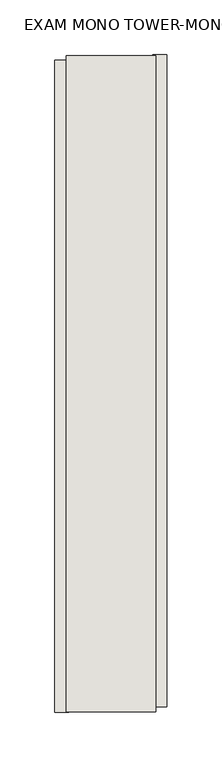
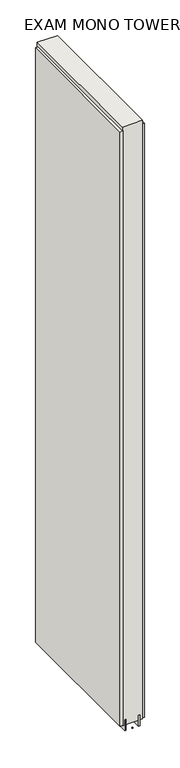
"""IFC4 building model written with IfcOpenShell, lengths in millimetres: wall geometry, EXAM MONO TOWER-MONO ACCENT MEDIA 478796 : EXAM MONO TOWER-MONO ACCENT MEDIA 478796."""

from ifc_helpers import new_model, si_unit, frame, origin, place, context, project, spatial, polyline, outline, extrude, source, transform, mapped, element, save


def exam_mono_tower_mono_accent_media_478796_exam_mono_tower_507d4382(model_context):
    return source(origin(), model_context, "Body", "SweptSolid", [
        extrude(outline(polyline([(57408.482211, -50509.2406882), (57408.482211, -50511.7806882), (57405.942211, -50511.7806882), (57405.942211, -50509.2406882), (57408.482211, -50509.2406882)])), frame((0.0, 0.0, 4419.6), z_axis=(0.0, 0.0, 1.0), x_axis=(1.0, 0.0, 0.0)), (0.0, 0.0, 1.0), 2.54),
        extrude(outline(polyline([(57356.412211, -50512.243781), (57356.412211, -49919.3438238), (57369.112211, -49919.3438238), (57369.112211, -50512.243781), (57356.412211, -50512.243781)])), frame((0.0, 0.0, 4445.0), z_axis=(0.0, 0.0, 1.0), x_axis=(1.0, 0.0, 0.0)), (0.0, 0.0, 1.0), 2545.0498756),
        extrude(outline(polyline([(57458.012211, -49914.413887), (57458.012211, -50507.3138442), (57445.312211, -50507.3138442), (57445.312211, -49914.413887), (57458.012211, -49914.413887)])), frame((0.0, 0.0, 4445.0), z_axis=(0.0, 0.0, 1.0), x_axis=(1.0, 0.0, 0.0)), (0.0, 0.0, 1.0), 2545.0498756),
        extrude(outline(polyline([(57382.1284664, -49914.8850316), (57382.1284664, -50511.7850316), (57377.049711, -50511.7850316), (57377.049711, -49914.8850316), (57382.1284664, -49914.8850316)])), frame((0.0, 0.0, 4418.6602), z_axis=(0.0, 0.0, 1.0), x_axis=(1.0, 0.0, 0.0)), (0.0, 0.0, 1.0), 47.625),
        extrude(outline(polyline([(57382.1284664, -49914.8850316), (57382.1284664, -50511.7850316), (57377.049711, -50511.7850316), (57377.049711, -49914.8850316), (57382.1284664, -49914.8850316)])), frame((0.0, 0.0, 4418.6602), z_axis=(0.0, 0.0, 1.0), x_axis=(1.0, 0.0, 0.0)), (0.0, 0.0, 1.0), 47.625),
        extrude(outline(polyline([(57432.2959556, -50511.7850316), (57432.2959556, -49914.8850316), (57437.374711, -49914.8850316), (57437.374711, -50511.7850316), (57432.2959556, -50511.7850316)])), frame((0.0, 0.0, 4418.6602), z_axis=(0.0, 0.0, 1.0), x_axis=(1.0, 0.0, 0.0)), (0.0, 0.0, 1.0), 47.625),
        extrude(outline(polyline([(57432.2959556, -50511.7850316), (57432.2959556, -49914.8850316), (57437.374711, -49914.8850316), (57437.374711, -50511.7850316), (57432.2959556, -50511.7850316)])), frame((0.0, 0.0, 4418.6602), z_axis=(0.0, 0.0, 1.0), x_axis=(1.0, 0.0, 0.0)), (0.0, 0.0, 1.0), 47.625),
        extrude(outline(polyline([(57366.5573266, -49914.8850316), (57447.8670954, -49914.8850316), (57447.8670954, -50511.7850316), (57366.5573266, -50511.7850316), (57366.5573266, -49914.8850316)])), frame((0.0, 0.0, 4445.0), z_axis=(0.0, 0.0, 1.0), x_axis=(1.0, 0.0, 0.0)), (0.0, 0.0, 1.0), 2562.4536762),
    ])


if __name__ == "__main__":
    model = new_model("IFC4")
    model_context = context("Model", 3, world=origin())
    ifc_project = project(units=[si_unit("LENGTHUNIT", "METRE", prefix="MILLI")], contexts=[model_context])
    site = spatial("IfcSite", under=ifc_project)
    building = spatial("IfcBuilding", under=site)
    placement = place(None, origin())
    exam_mono_tower_mono_accent_media_478796_exam_mono_tower_shape = exam_mono_tower_mono_accent_media_478796_exam_mono_tower_507d4382(model_context)
    element("IfcWall", 1, ObjectType="EXAM MONO TOWER-MONO ACCENT MEDIA 478796 : EXAM MONO TOWER-MONO ACCENT MEDIA 478796", at=placement, inside=building, context=model_context, shape_type="MappedRepresentation", body=[
        mapped(exam_mono_tower_mono_accent_media_478796_exam_mono_tower_shape, transform((0.0, 0.0, 0.0), x_axis=(1.0, 0.0, 0.0), y_axis=(0.0, 1.0, 0.0), z_axis=(0.0, 0.0, 1.0))),
    ])
    save(model, "model.ifc")
